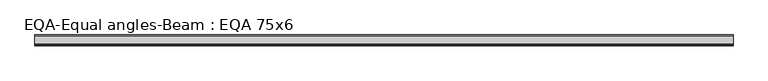
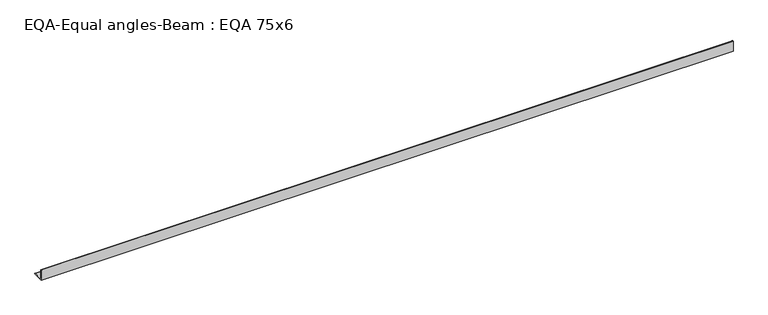
"""IFC4 building model written with IfcOpenShell, lengths in millimetres: beam geometry, EQA-Equal angles-Beam : EQA 75x6."""

from ifc_helpers import new_model, si_unit, point, frame, frame_2d, origin, place, context, project, spatial, polyline, circle_curve, trimmed, segment, composite_curve, outline, extrude, source, transform, mapped, element, save


def eqa_equal_angles_beam_eqa_75x6_344d452a(model_context):
    return source(origin(), model_context, "Body", "SweptSolid", [
        extrude(outline(composite_curve([segment(polyline([(-20.5, -20.5), (-20.5, 54.5), (-19.0, 54.5)]), True, "CONTINUOUS"), segment(trimmed(circle_curve(frame_2d((-19.0, 50.0)), 4.5), [point((-19.0, 54.5))], [point((-14.5, 50.0))], False, "CARTESIAN"), True, "CONTINUOUS"), segment(polyline([(-14.5, 50.0), (-14.5, -5.5)]), True, "CONTINUOUS"), segment(trimmed(circle_curve(frame_2d((-5.5, -5.5)), 9.0), [point((-14.5, -5.5))], [point((-5.5, -14.5))], True, "CARTESIAN"), True, "CONTINUOUS"), segment(polyline([(-5.5, -14.5), (50.0, -14.5)]), True, "CONTINUOUS"), segment(trimmed(circle_curve(frame_2d((50.0, -19.0)), 4.5), [point((50.0, -14.5))], [point((54.5, -19.0))], False, "CARTESIAN"), True, "CONTINUOUS"), segment(polyline([(54.5, -19.0), (54.5, -20.5), (-20.5, -20.5)]), True, "CONTINUOUS")], self_intersect=False)), frame((-2385.2094737, 0.0, 0.0), z_axis=(1.0, 0.0, 0.0), x_axis=(0.0, 1.0, 0.0)), (0.0, 0.0, 1.0), 4765.7712703),
    ])


if __name__ == "__main__":
    model = new_model("IFC4")
    model_context = context("Model", 3, world=origin())
    ifc_project = project(units=[si_unit("LENGTHUNIT", "METRE", prefix="MILLI")], contexts=[model_context])
    site = spatial("IfcSite", under=ifc_project)
    building = spatial("IfcBuilding", under=site)
    placement = place(None, origin())
    eqa_equal_angles_beam_eqa_75x6_shape = eqa_equal_angles_beam_eqa_75x6_344d452a(model_context)
    element("IfcBeam", 1, ObjectType="EQA-Equal angles-Beam : EQA 75x6", at=placement, inside=building, context=model_context, shape_type="MappedRepresentation", body=[
        mapped(eqa_equal_angles_beam_eqa_75x6_shape, transform((0.0, 0.0, 0.0), x_axis=(1.0, 0.0, 0.0), y_axis=(0.0, 1.0, 0.0), z_axis=(0.0, 0.0, 1.0))),
    ])
    save(model, "model.ifc")
